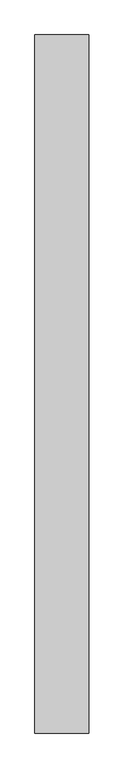
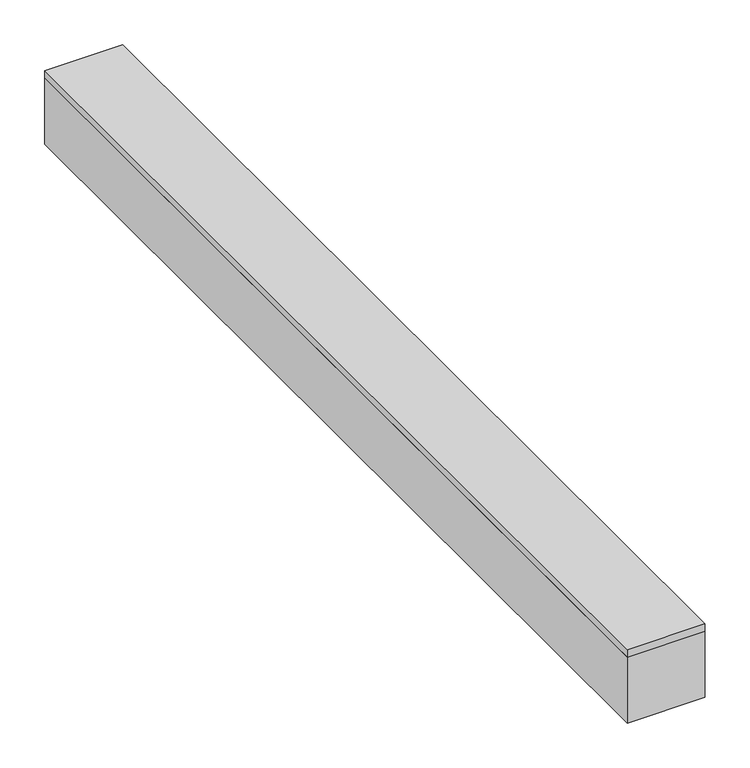
"""IFC4 building model written with IfcOpenShell, lengths in millimetres: proxy geometry."""

from ifc_helpers import new_model, si_unit, frame, origin, place, context, project, spatial, polyline, outline, extrude, source, transform, mapped, element, save


def specialty_equipment_b4e7a0af(model_context):
    return source(origin(), model_context, "Body", "SweptSolid", [
        extrude(outline(polyline([(50.0, 650.0), (50.0, -650.0), (-50.0, -650.0), (-50.0, 650.0), (50.0, 650.0)])), frame((0.0, 0.0, -10.0), z_axis=(0.0, 0.0, 1.0), x_axis=(1.0, 0.0, 0.0)), (0.0, 0.0, 1.0), 10.0),
        extrude(outline(polyline([(50.0, 650.0), (50.0, -650.0), (-50.0, -650.0), (-50.0, 650.0), (50.0, 650.0)])), frame((0.0, 0.0, -100.0), z_axis=(0.0, 0.0, 1.0), x_axis=(1.0, 0.0, 0.0)), (0.0, 0.0, 1.0), 90.0),
    ])


if __name__ == "__main__":
    model = new_model("IFC4")
    model_context = context("Model", 3, world=origin())
    ifc_project = project(units=[si_unit("LENGTHUNIT", "METRE", prefix="MILLI")], contexts=[model_context])
    site = spatial("IfcSite", under=ifc_project)
    building = spatial("IfcBuilding", under=site)
    placement = place(None, origin())
    specialty_equipment_shape = specialty_equipment_b4e7a0af(model_context)
    element("IfcBuildingElementProxy", 1, Name="Specialty Equipment", at=placement, inside=building, context=model_context, shape_type="MappedRepresentation", body=[
        mapped(specialty_equipment_shape, transform((0.0, 0.0, 0.0), x_axis=(1.0, 0.0, 0.0), y_axis=(0.0, 1.0, 0.0), z_axis=(0.0, 0.0, 1.0))),
    ])
    save(model, "model.ifc")
